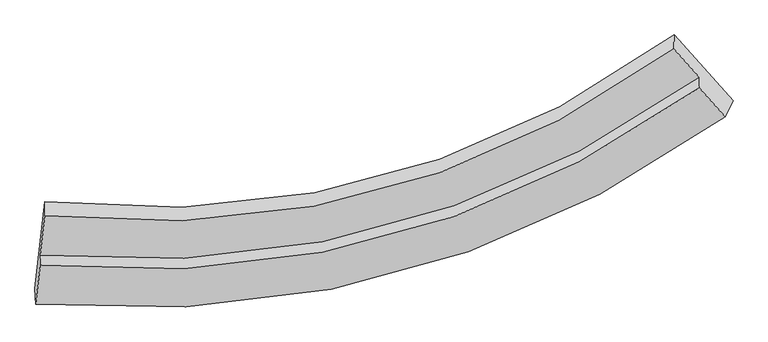
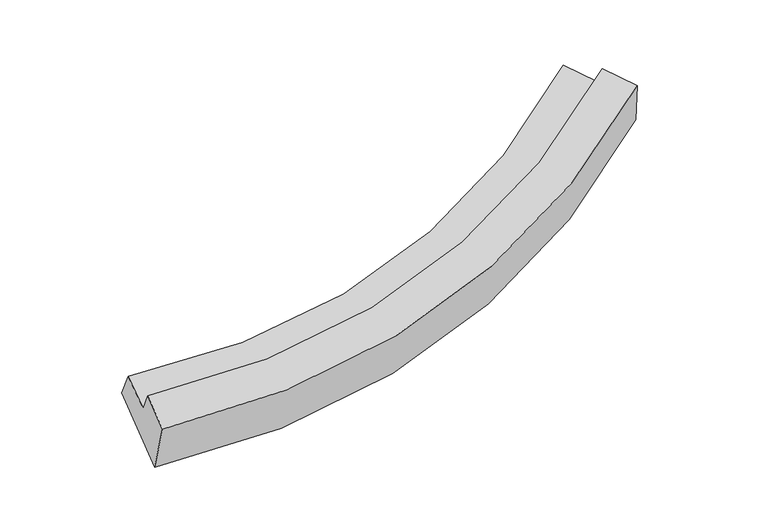
"""IFC4 building model written with IfcOpenShell, lengths in millimetres: proxy geometry."""

from ifc_helpers import new_model, si_unit, frame, origin, place, context, project, spatial, source, transform, mapped, element, save
from ifc_brep_helpers import plane_surface, spline_curve, spline_surface, advanced_brep


def generic_models_e23da06e(model_context):
    return source(origin(), model_context, "Body", "AdvancedBrep", [
        advanced_brep(
        [(-4931.5633287, -3381.3524685, 1611.2731046), (-4943.8139622, -3145.6958097, 712.9869384), (5830.8483847, -244.139999, 2138.9975063), (5713.2391151, -493.6922067, 3008.400232), (-4789.2536749, -1803.516783, 1333.5958168), (4920.8271054, 773.030278, 2586.0702162), (-4791.8777051, -2015.4087516, 1792.5040551), (4918.1371624, 555.8158113, 3056.5057352), (-4860.7891126, -2626.8374543, 1548.1046013), (5310.4539479, 120.1974816, 2857.610691), (-4862.7306747, -2783.6197249, 1887.6581771), (5308.4182089, -44.1896274, 3213.6345605)],
        [
            (0, 1),
            (1, 2, spline_curve(3, [(-4943.8139622, -3145.6958097, 712.9869384), (-3341.626859938, -3298.834458368, 659.370774428), (-1801.310772285, -3232.811130644, 704.732999724), (1863.705442517, -2525.846237694, 1062.548586424), (3914.943469774, -1624.684294831, 1492.523216792), (5830.8483847, -244.139999, 2138.9975063)], [4, 2, 4], [0.0, 15.095142937818665, 37.4203577936878])),
            (2, 3),
            (3, 0, spline_curve(3, [(5713.2391151, -493.6922067, 3008.400232), (3818.052684945, -1841.637127055, 2384.106821113), (1790.579762075, -2728.000025924, 1966.506733499), (-1829.496037464, -3439.995522179, 1612.99584381), (-3350.290596793, -3516.186043408, 1564.886888653), (-4931.5633287, -3381.3524685, 1611.2731046)], [4, 2, 4], [0.0, 22.325214855869135, 37.4203577936878])),
            (1, 4),
            (4, 5, spline_curve(3, [(-4789.2536749, -1803.516783, 1333.5958168), (-3346.576482151, -1957.889430867, 1280.078177563), (-1959.170235289, -1910.231505653, 1316.086198656), (1343.148914021, -1291.262014847, 1627.280023743), (3192.436260275, -480.070919904, 2008.763469185), (4920.8271054, 773.030278, 2586.0702162)], [4, 2, 4], [0.0, 14.436966186926446, 35.788759496717134])),
            (5, 2),
            (4, 6),
            (6, 7, spline_curve(3, [(-4791.8777051, -2015.4087516, 1792.5040551), (-3349.190287097, -2168.955706056, 1737.198158757), (-1961.781515075, -2121.093871468, 1772.764559462), (1340.524805795, -1503.16027713, 2086.201892102), (3189.787655894, -693.947257444, 2471.969384212), (4918.1371624, 555.8158113, 3056.5057352)], [4, 2, 4], [0.0, 13.682377443579941, 33.91815907382403])),
            (7, 5),
            (6, 8),
            (8, 9, spline_curve(3, [(-4860.7891126, -2626.8374543, 1548.1046013), (-3350.027138144, -2759.419912374, 1490.160354571), (-1896.98663405, -2689.514188061, 1526.620959107), (1561.962887457, -2014.258744715, 1851.032076396), (3499.33673708, -1168.486156842, 2251.073501661), (5310.4539479, 120.1974816, 2857.610691)], [4, 2, 4], [0.0, 14.005497354073047, 34.71916259599827])),
            (9, 7),
            (8, 10),
            (10, 11, spline_curve(3, [(-4862.7306747, -2783.6197249, 1887.6581771), (-3352.026171822, -2920.843078355, 1839.76501953), (-1899.02506484, -2854.118644034, 1883.115550517), (1559.871603087, -2183.131198434, 2216.770149597), (3497.253456926, -1336.71226715, 2615.411746136), (5308.4182089, -44.1896274, 3213.6345605)], [4, 2, 4], [0.0, 14.32887729457298, 35.520810723919716])),
            (11, 9),
            (10, 0),
            (3, 11),
        ],
        [
            spline_surface(3, 3, [[(-4931.5633287, -3381.3524685, 1611.2731046), (-3350.290596544, -3516.18604361, 1564.886888866), (-1829.49603761, -3439.99552201, 1612.995843875), (1790.579762292, -2728.000026173, 1966.506733402), (3818.052684622, -1841.637127172, 2384.106820847), (5713.2391151, -493.6922067, 3008.400232)], [(-4935.646873205, -3302.800248888, 1311.844382541), (-3347.402684322, -3443.735515213, 1263.048184128), (-1820.100949086, -3370.934058261, 1310.241562527), (1814.95498892, -2660.615429953, 1665.187351048), (3850.349613069, -1769.319516429, 2086.912286262), (5752.44220496, -410.508137465, 2718.599323417)], [(-4939.730417695, -3224.248029312, 1012.415660459), (-3344.514772085, -3371.284986851, 961.209479368), (-1810.705860571, -3301.872594515, 1007.48728115), (1839.330215537, -2593.230833735, 1363.867968665), (3882.646541535, -1697.001905692, 1789.717751726), (5791.64529484, -327.324068235, 2428.798414883)], [(-4943.8139622, -3145.6958097, 712.9869384), (-3341.626859863, -3298.834458454, 659.37077463), (-1801.310772046, -3232.811130766, 704.732999801), (1863.705442165, -2525.846237515, 1062.548586311), (3914.943469981, -1624.684294949, 1492.523217141), (5830.8483847, -244.139999, 2138.9975063)]], [4, 4], [4, 2, 4], [0.0, 3.049048207229484], [0.0, 15.095142937818665, 37.4203577936878]),
            spline_surface(3, 3, [[(-4943.8139622, -3145.6958097, 712.9869384), (-3341.626859863, -3298.834458454, 659.37077463), (-1801.310772046, -3232.811130766, 704.732999801), (1863.705442165, -2525.846237515, 1062.548586311), (3914.943469981, -1624.684294949, 1492.523217141), (5830.8483847, -244.139999, 2138.9975063)], [(-4892.293866449, -2698.302800808, 919.856564517), (-3343.276733904, -2851.852782546, 866.273242219), (-1853.930593101, -2791.951255681, 908.517399357), (1690.18659935, -2114.318163313, 1250.792398838), (3674.107733446, -1243.146503219, 1664.603301213), (5527.507958248, 94.916760005, 2288.021742949)], [(-4840.773770651, -2250.909791892, 1126.726190683), (-3344.926607897, -2404.871106613, 1073.175709858), (-1906.550414081, -2351.091380656, 1112.301798964), (1516.667756609, -1702.79008917, 1439.036211416), (3433.271996966, -861.608711504, 1836.683385236), (5224.167531852, 433.973518995, 2437.045979551)], [(-4789.2536749, -1803.516783, 1333.5958168), (-3346.576481938, -1957.889430704, 1280.078177448), (-1959.170235136, -1910.231505571, 1316.08619852), (1343.148913794, -1291.262014969, 1627.280023943), (3192.436260431, -480.070919774, 2008.763469308), (4920.8271054, 773.030278, 2586.0702162)]], [4, 4], [4, 2, 4], [0.0, 4.736403800260037], [0.0, 14.436966186926446, 35.788759496717134]),
            spline_surface(3, 3, [[(-4789.2536749, -1803.516783, 1333.5958168), (-3346.576481938, -1957.889430704, 1280.078177448), (-1959.170235136, -1910.231505571, 1316.08619852), (1343.148913794, -1291.262014969, 1627.280023943), (3192.436260431, -480.070919774, 2008.763469308), (4920.8271054, 773.030278, 2586.0702162)], [(-4790.128351633, -1874.147439198, 1486.565229562), (-3347.447750261, -2028.24485589, 1432.45150448), (-1960.040661734, -1980.518960925, 1468.312318859), (1342.274211083, -1361.894768943, 1780.253979995), (3191.553392348, -551.363032252, 2163.165441022), (4919.93045773, 700.625455786, 2742.882055867)], [(-4791.003028367, -1944.778095402, 1639.534642338), (-3348.319018587, -2098.600281083, 1584.824831527), (-1960.911088364, -2050.806416278, 1620.538439155), (1341.399508339, -1432.527522916, 1933.227936004), (3190.670524276, -622.655144788, 2317.567412735), (4919.03381007, 628.220633514, 2899.693895533)], [(-4791.8777051, -2015.4087516, 1792.5040551), (-3349.190286911, -2168.955706269, 1737.198158559), (-1961.781514962, -2121.093871631, 1772.764559493), (1340.524805628, -1503.160276889, 2086.201892057), (3189.787656194, -693.947257266, 2471.969384449), (4918.1371624, 555.8158113, 3056.5057352)]], [4, 4], [4, 2, 4], [0.0, 1.656771732248437], [0.0, 13.682377443579941, 33.91815907382403]),
            spline_surface(3, 3, [[(-4791.8777051, -2015.4087516, 1792.5040551), (-3349.190286911, -2168.955706269, 1737.198158559), (-1961.781514962, -2121.093871631, 1772.764559493), (1340.524805628, -1503.160276889, 2086.201892057), (3189.787656194, -693.947257266, 2471.969384449), (4918.1371624, 555.8158113, 3056.5057352)], [(-4814.848174251, -2219.218319157, 1711.037570506), (-3349.469237231, -2365.777108254, 1654.852223907), (-1940.183221356, -2310.567310451, 1690.716692711), (1414.337499612, -1673.526432883, 2007.81195344), (3292.970683251, -852.126890547, 2398.337423468), (5048.90942425, 410.609701379, 2990.20738712)], [(-4837.818643449, -2423.027886743, 1629.571085894), (-3349.7481876, -2562.598510269, 1572.506289238), (-1918.584927744, -2500.04074919, 1608.668825981), (1488.150193601, -1843.892588797, 1929.422014877), (3396.153710257, -1010.306523766, 2324.705462527), (5179.68168605, 265.403591521, 2923.90903908)], [(-4860.7891126, -2626.8374543, 1548.1046013), (-3350.02713792, -2759.419912254, 1490.160354585), (-1896.986634137, -2689.514188009, 1526.620959199), (1561.962887586, -2014.258744791, 1851.03207626), (3499.336737314, -1168.486157047, 2251.073501545), (5310.4539479, 120.1974816, 2857.610691)]], [4, 4], [4, 2, 4], [0.0, 1.9843963923883192], [0.0, 14.005497354073047, 34.71916259599827]),
            spline_surface(3, 3, [[(-4860.7891126, -2626.8374543, 1548.1046013), (-3350.02713792, -2759.419912254, 1490.160354585), (-1896.986634137, -2689.514188009, 1526.620959199), (1561.962887586, -2014.258744791, 1851.03207626), (3499.336737314, -1168.486157047, 2251.073501545), (5310.4539479, 120.1974816, 2857.610691)], [(-4861.436299962, -2679.098211183, 1661.289126566), (-3350.693482607, -2813.227634242, 1606.695242942), (-1897.666110988, -2744.382339929, 1645.45248973), (1561.265792707, -2070.549562746, 1972.944767291), (3498.642310501, -1224.561527108, 2372.519583042), (5309.775368243, 65.4017786, 2976.285314187)], [(-4862.083487338, -2731.358968017, 1774.473651834), (-3351.359827307, -2867.03535618, 1723.230131302), (-1898.345587873, -2799.250491918, 1764.284020196), (1560.568697794, -2126.84038077, 2094.857458256), (3497.94788366, -1280.636897172, 2493.965664478), (5309.096788557, 10.6060756, 3094.959937313)], [(-4862.7306747, -2783.6197249, 1887.6581771), (-3352.026171993, -2920.843078169, 1839.76501966), (-1899.025064723, -2854.118643838, 1883.115550727), (1559.871602915, -2183.131198724, 2216.770149287), (3497.253456847, -1336.712267234, 2615.411745975), (5308.4182089, -44.1896274, 3213.6345605)]], [4, 4], [4, 2, 4], [0.0, 1.3094669329068738], [0.0, 14.32887729457298, 35.520810723919716]),
            spline_surface(3, 3, [[(-4862.7306747, -2783.6197249, 1887.6581771), (-3352.026171993, -2920.843078169, 1839.76501966), (-1899.025064723, -2854.118643838, 1883.115550727), (1559.871602915, -2183.131198724, 2216.770149287), (3497.253456847, -1336.712267234, 2615.411745975), (5308.4182089, -44.1896274, 3213.6345605)], [(-4885.6748927, -2982.863972766, 1795.529819609), (-3351.447646844, -3119.290733315, 1748.138976071), (-1875.848722351, -3049.410936579, 1793.075648432), (1636.774322709, -2364.754141224, 2133.349010647), (3604.186532774, -1505.020553885, 2538.31010426), (5443.358510969, -194.023820505, 3145.22311766)], [(-4908.6191107, -3182.108220634, 1703.401462091), (-3350.869121693, -3317.738388464, 1656.512932454), (-1852.672379983, -3244.703229269, 1703.035746171), (1713.677042499, -2546.377083673, 2049.927872042), (3711.119608695, -1673.32884052, 2461.208462563), (5578.298813031, -343.858013595, 3076.81167484)], [(-4931.5633287, -3381.3524685, 1611.2731046), (-3350.290596544, -3516.18604361, 1564.886888866), (-1829.49603761, -3439.99552201, 1612.995843875), (1790.579762292, -2728.000026173, 1966.506733402), (3818.052684622, -1841.637127172, 2384.106820847), (5713.2391151, -493.6922067, 3008.400232)]], [4, 4], [4, 2, 4], [0.0, 2.094368548894828], [0.0, 14.663794735700591, 36.35105993255375]),
            plane_surface(frame((5333.6539874, 111.1702896, 2810.2031569), z_axis=(0.7735368717068883, 0.5736834413914869, 0.2693102619343381), x_axis=(-0.005191248194670546, -0.41919631879423586, 0.9078807725971196))),
            plane_surface(frame((-4863.3380764, -2626.071832, 1481.0204489), z_axis=(-0.9945682440994061, 0.09654749917389542, 0.038892007306008884), x_axis=(0.10395700443551337, 0.9027474877908138, 0.41742054874690715))),
        ],
        [
            (0, [[1, 2, 3, 4]]),
            (1, [[5, 6, 7, -2]]),
            (2, [[8, 9, 10, -6]]),
            (3, [[11, 12, 13, -9]]),
            (4, [[14, 15, 16, -12]]),
            (5, [[17, -4, 18, -15]]),
            (6, [[-16, -18, -3, -7, -10, -13]]),
            (7, [[-17, -14, -11, -8, -5, -1]]),
        ],
    ),
    ])


if __name__ == "__main__":
    model = new_model("IFC4")
    model_context = context("Model", 3, world=origin())
    ifc_project = project(units=[si_unit("LENGTHUNIT", "METRE", prefix="MILLI")], contexts=[model_context])
    site = spatial("IfcSite", under=ifc_project)
    building = spatial("IfcBuilding", under=site)
    placement = place(None, origin())
    generic_models_shape = generic_models_e23da06e(model_context)
    element("IfcBuildingElementProxy", 1, Name="Generic Models", at=placement, inside=building, context=model_context, shape_type="MappedRepresentation", body=[
        mapped(generic_models_shape, transform((0.0, 0.0, 0.0), x_axis=(1.0, 0.0, 0.0), y_axis=(0.0, 1.0, 0.0), z_axis=(0.0, 0.0, 1.0))),
    ])
    save(model, "model.ifc")
